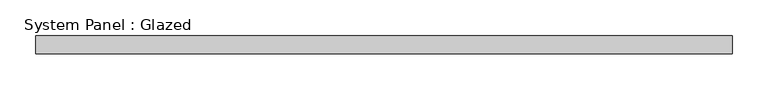
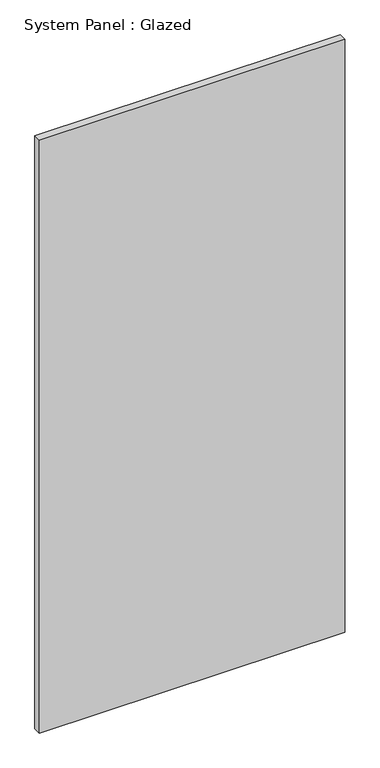
"""IFC4 building model written with IfcOpenShell, lengths in millimetres: plate geometry, System Panel : Glazed."""

from ifc_helpers import new_model, si_unit, origin, origin_with_axes, place, context, project, spatial, polyline, outline, extrude, source, transform, mapped, element, save


def system_panel_glazed_93d249c7(model_context):
    return source(origin(), model_context, "Body", "SweptSolid", [
        extrude(outline(polyline([(487.0979136, 24.5), (-487.0979136, 24.5), (-487.0979136, 49.5), (487.0979136, 49.5), (487.0979136, 24.5)])), origin_with_axes(), (0.0, 0.0, 1.0), 2000.0),
    ])


if __name__ == "__main__":
    model = new_model("IFC4")
    model_context = context("Model", 3, world=origin())
    ifc_project = project(units=[si_unit("LENGTHUNIT", "METRE", prefix="MILLI")], contexts=[model_context])
    site = spatial("IfcSite", under=ifc_project)
    building = spatial("IfcBuilding", under=site)
    placement = place(None, origin())
    system_panel_glazed_shape = system_panel_glazed_93d249c7(model_context)
    element("IfcPlate", 1, ObjectType="System Panel : Glazed", at=placement, inside=building, context=model_context, shape_type="MappedRepresentation", body=[
        mapped(system_panel_glazed_shape, transform((0.0, 0.0, 0.0), x_axis=(1.0, 0.0, 0.0), y_axis=(0.0, 1.0, 0.0), z_axis=(0.0, 0.0, 1.0))),
    ])
    save(model, "model.ifc")
